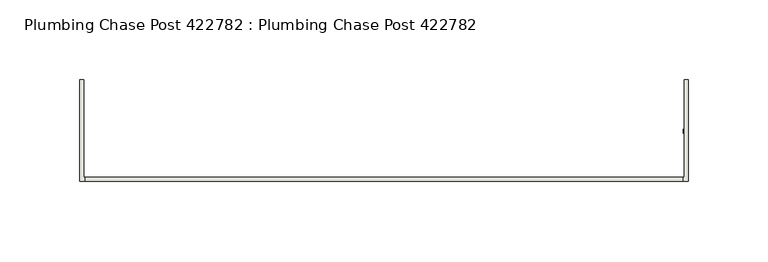
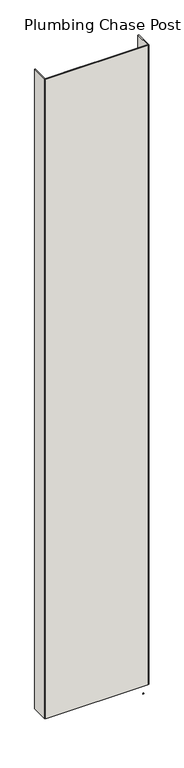
"""IFC4 building model written with IfcOpenShell, lengths in millimetres: wall geometry, Plumbing Chase Post 422782 : Plumbing Chase Post 422782."""

import ifcopenshell
import ifcopenshell.guid

model = None  # the IFC model being written
_history = None  # IfcOwnerHistory: only IFC2X3 demands one
_inside = {}  # id of a spatial element -> (the spatial element, [elements in it])
_under = {}  # id of a project, library or spatial element -> (it, [spatial elements below it])
_declared = {}  # id of a project -> (the project, [libraries it declares])
_typed = {}  # id of a type object -> (the type object, [elements of that type])
_made_of = {}  # id of a material, layer set ... -> (it, [elements and type objects made of it])


def new_model(schema):
    """Start an empty IFC model of exactly this schema.

    Asked for "IFC4X3", IfcOpenShell would pick the latest addendum, in which some entities
    have other attributes; the version numbers below select the first issue.
    IFC2X3 requires an IfcOwnerHistory on every rooted entity: one is made here for all.
    """
    global model, _history
    if schema == "IFC4X3":
        model = ifcopenshell.file(schema_version=(4, 3, 0, 0))
    else:
        model = ifcopenshell.file(schema=schema)
    _inside.clear()
    _under.clear()
    _declared.clear()
    _typed.clear()
    _made_of.clear()
    _history = None
    if model.schema == "IFC2X3":
        org = make("IfcOrganization", Name="unknown")
        user = make(
            "IfcPersonAndOrganization",
            ThePerson=make("IfcPerson", FamilyName="unknown"),
            TheOrganization=org,
        )
        app = make(
            "IfcApplication",
            ApplicationDeveloper=org,
            Version="unknown",
            ApplicationFullName="unknown",
            ApplicationIdentifier="unknown",
        )
        _history = make(
            "IfcOwnerHistory",
            OwningUser=user,
            OwningApplication=app,
            ChangeAction="ADDED",
            CreationDate=0,
        )
    return model


def make(cls, **values):
    """One entity of the class cls with the attributes given. An attribute that is None is left unset."""
    return model.create_entity(
        cls, **{name: value for name, value in values.items() if value is not None}
    )


def rooted(cls, **values):
    """An entity with a GlobalId (a new one), such as an element, a storey or a relation."""
    return make(cls, GlobalId=ifcopenshell.guid.new(), OwnerHistory=_history, **values)


def si_unit(unit_type, name, prefix=None):
    """IfcSIUnit, for example si_unit("LENGTHUNIT", "METRE", prefix="MILLI")."""
    return make("IfcSIUnit", UnitType=unit_type, Prefix=prefix, Name=name)


def assignment(units):
    """IfcUnitAssignment: the units of a project."""
    return None if units is None else make("IfcUnitAssignment", Units=units)


def point(xyz):
    """IfcCartesianPoint."""
    return None if xyz is None else make("IfcCartesianPoint", Coordinates=xyz)


def direction(xyz):
    """IfcDirection."""
    return None if xyz is None else make("IfcDirection", DirectionRatios=xyz)


def frame(location, z_axis=None, x_axis=None):
    """IfcAxis2Placement3D, a coordinate frame: its origin and axes. An axis left out is left unset."""
    return make(
        "IfcAxis2Placement3D",
        Location=point(location),
        Axis=direction(z_axis),
        RefDirection=direction(x_axis),
    )


def origin():
    """The frame at (0, 0, 0) with its axes left unset."""
    return frame((0.0, 0.0, 0.0))


def place(relative_to, where):
    """IfcLocalPlacement: puts the frame where relative to a parent placement (None: the world)."""
    return make(
        "IfcLocalPlacement", PlacementRelTo=relative_to, RelativePlacement=where
    )


def context(
    kind, dimensions, precision=None, world=None, true_north=None, identifier=None
):
    """IfcGeometricRepresentationContext, for example the 3D "Model" context."""
    return make(
        "IfcGeometricRepresentationContext",
        ContextIdentifier=identifier,
        ContextType=kind,
        CoordinateSpaceDimension=dimensions,
        Precision=precision,
        WorldCoordinateSystem=world,
        TrueNorth=true_north,
    )


def project(units=None, contexts=None):
    """IfcProject with its units and contexts."""
    return rooted(
        "IfcProject",
        Name="project",
        RepresentationContexts=contexts,
        UnitsInContext=assignment(units),
    )


def spatial(cls, under=None, at=None, **own):
    """A site, building, storey or space (cls), placed at a placement, below another one or the project."""
    s = rooted(cls, ObjectPlacement=at, **own)
    if under is not None:
        _under.setdefault(under.id(), (under, []))[1].append(s)
    return s


def polyline(points):
    """IfcPolyline through the points."""
    return make("IfcPolyline", Points=[point(p) for p in points])


def outline(outer, holes=None, kind="AREA"):
    """IfcArbitraryClosedProfileDef: a profile drawn as a closed curve; with holes, ...WithVoids."""
    if holes is None:
        return make("IfcArbitraryClosedProfileDef", ProfileType=kind, OuterCurve=outer)
    return make(
        "IfcArbitraryProfileDefWithVoids",
        ProfileType=kind,
        OuterCurve=outer,
        InnerCurves=holes,
    )


def extrude(swept, where, along, depth):
    """IfcExtrudedAreaSolid: the profile swept, set in the frame where, extruded along a direction by depth."""
    return make(
        "IfcExtrudedAreaSolid",
        SweptArea=swept,
        Position=where,
        ExtrudedDirection=direction(along),
        Depth=depth,
    )


def shape(context_of_items, identifier, shape_type, items):
    """IfcShapeRepresentation: the items that make up one representation, for example the "Body"."""
    return make(
        "IfcShapeRepresentation",
        ContextOfItems=context_of_items,
        RepresentationIdentifier=identifier,
        RepresentationType=shape_type,
        Items=items,
    )


def source(mapping_origin, context_of_items, identifier, shape_type, items):
    """IfcRepresentationMap: a shape defined once, which mapped items show again and again."""
    return make(
        "IfcRepresentationMap",
        MappingOrigin=mapping_origin,
        MappedRepresentation=shape(context_of_items, identifier, shape_type, items),
    )


def transform(
    local_origin,
    x_axis=None,
    y_axis=None,
    z_axis=None,
    scale=None,
    scale2=None,
    scale3=None,
    uniform=True,
):
    """IfcCartesianTransformationOperator3D, or its non-uniform kind. x_axis, y_axis, z_axis: its Axis1, 2, 3."""
    if uniform:
        return make(
            "IfcCartesianTransformationOperator3D",
            Axis1=direction(x_axis),
            Axis2=direction(y_axis),
            LocalOrigin=point(local_origin),
            Scale=scale,
            Axis3=direction(z_axis),
        )
    return make(
        "IfcCartesianTransformationOperator3DnonUniform",
        Axis1=direction(x_axis),
        Axis2=direction(y_axis),
        LocalOrigin=point(local_origin),
        Scale=scale,
        Axis3=direction(z_axis),
        Scale2=scale2,
        Scale3=scale3,
    )


def mapped(mapping_source, mapping_target):
    """IfcMappedItem: shows the shape of a source again, moved by a transform."""
    return make(
        "IfcMappedItem", MappingSource=mapping_source, MappingTarget=mapping_target
    )


def made_of(thing, what):
    """Note that an element or type object is made of a material, layer set ...; save() writes the relation."""
    if what is not None:
        _made_of.setdefault(what.id(), (what, []))[1].append(thing)
    return thing


def element(
    cls,
    number,
    at=None,
    inside=None,
    cuts=None,
    type_object=None,
    material=None,
    context=None,
    identifier="Body",
    shape_type=None,
    held_by="IfcProductDefinitionShape",
    body=None,
    shapes=None,
    **own,
):
    """One element of the class cls, such as IfcWall. Its Tag is "e" and its number.

    at: its placement. inside: the storey or other place that contains it. cuts: it is an
    opening in that element (IfcRelVoidsElement). A single representation is given by context,
    identifier, shape_type and body (its items); several are given by shapes. held_by: the class
    of the entity that holds the representations. save() writes the other relations.
    """
    e = rooted(cls, Tag="e%d" % number, ObjectPlacement=at, **own)
    if body is not None:
        shapes = [shape(context, identifier, shape_type, body)]
    if shapes is not None:
        e.Representation = make(held_by, Representations=shapes)
    if inside is not None:
        _inside.setdefault(inside.id(), (inside, []))[1].append(e)
    if cuts is not None:
        rooted(
            "IfcRelVoidsElement", RelatingBuildingElement=cuts, RelatedOpeningElement=e
        )
    if type_object is not None:
        _typed.setdefault(type_object.id(), (type_object, []))[1].append(e)
    return made_of(e, material)


def aggregate(whole, parts):
    """IfcRelAggregates: a whole, such as a stair, and the parts it consists of."""
    return rooted("IfcRelAggregates", RelatingObject=whole, RelatedObjects=parts)


def save(model, path):
    """Write the relations noted so far, then the file.

    IfcRelAggregates (storeys below a building ...), IfcRelContainedInSpatialStructure (elements
    in a storey), IfcRelDefinesByType, IfcRelAssociatesMaterial and IfcRelDeclares: one each for
    every whole, place, type object, material and project.
    """
    for whole, parts in _under.values():
        aggregate(whole, parts)
    for where, things in _inside.values():
        rooted(
            "IfcRelContainedInSpatialStructure",
            RelatedElements=things,
            RelatingStructure=where,
        )
    for kind, things in _typed.values():
        rooted("IfcRelDefinesByType", RelatedObjects=things, RelatingType=kind)
    for what, things in _made_of.values():
        rooted("IfcRelAssociatesMaterial", RelatedObjects=things, RelatingMaterial=what)
    for by, libraries in _declared.values():
        rooted("IfcRelDeclares", RelatingContext=by, RelatedDefinitions=libraries)
    model.write(path)


def plumbing_chase_post_422782_plumbing_chase_post_422782_a13c1dee(model_context):
    return source(origin(), model_context, "Body", "SweptSolid", [
        extrude(outline(polyline([(74773.768918, -43072.0636398), (74776.308918, -43072.0636398), (74776.308918, -43074.6036398), (74773.768918, -43074.6036398), (74773.768918, -43072.0636398)])), frame((0.0, 0.0, 4419.6), z_axis=(0.0, 0.0, 1.0), x_axis=(1.0, 0.0, 0.0)), (0.0, 0.0, 1.0), 2.54),
        extrude(outline(polyline([(74773.6126572, -43105.350289), (74397.9952728, -43105.350289), (74397.9952728, -43102.683797), (74773.6126572, -43102.683797), (74773.6126572, -43105.350289)])), frame((0.0, 0.0, 4474.8958), z_axis=(0.0, 0.0, 1.0), x_axis=(1.0, 0.0, 0.0)), (0.0, 0.0, 1.0), 2481.1482254),
        extrude(outline(polyline([(74773.6126572, -43105.350289), (74397.9952728, -43105.350289), (74397.9952728, -43102.683797), (74773.6126572, -43102.683797), (74773.6126572, -43105.350289)])), frame((0.0, 0.0, 4474.8958), z_axis=(0.0, 0.0, 1.0), x_axis=(1.0, 0.0, 0.0)), (0.0, 0.0, 1.0), 2481.1482254),
        extrude(outline(polyline([(74777.0667016, -43105.350289), (74643.7167016, -43105.350289), (74643.7167016, -43102.683797), (74774.4001842, -43102.683797), (74774.4001842, -43041.3418064), (74777.0667016, -43041.3418064), (74777.0667016, -43105.350289)])), frame((0.0, 0.0, 4474.8958), z_axis=(0.0, 0.0, 1.0), x_axis=(1.0, 0.0, 0.0)), (0.0, 0.0, 1.0), 2481.1482254),
        extrude(outline(polyline([(74777.0667016, -43105.350289), (74643.7167016, -43105.350289), (74643.7167016, -43102.683797), (74774.4001842, -43102.683797), (74774.4001842, -43041.3418064), (74777.0667016, -43041.3418064), (74777.0667016, -43105.350289)])), frame((0.0, 0.0, 4474.8958), z_axis=(0.0, 0.0, 1.0), x_axis=(1.0, 0.0, 0.0)), (0.0, 0.0, 1.0), 2481.1482254),
        extrude(outline(polyline([(74527.9160188, -43102.683797), (74527.9160188, -43105.350289), (74394.5660188, -43105.350289), (74394.5660188, -43041.3418064), (74397.2325108, -43041.3418064), (74397.2077204, -43102.683797), (74527.9160188, -43102.683797)])), frame((0.0, 0.0, 4474.8958), z_axis=(0.0, 0.0, 1.0), x_axis=(1.0, 0.0, 0.0)), (0.0, 0.0, 1.0), 2481.1482254),
        extrude(outline(polyline([(74527.9160188, -43102.683797), (74527.9160188, -43105.350289), (74394.5660188, -43105.350289), (74394.5660188, -43041.3418064), (74397.2325108, -43041.3418064), (74397.2077204, -43102.683797), (74527.9160188, -43102.683797)])), frame((0.0, 0.0, 4474.8958), z_axis=(0.0, 0.0, 1.0), x_axis=(1.0, 0.0, 0.0)), (0.0, 0.0, 1.0), 2481.1482254),
    ])


if __name__ == "__main__":
    model = new_model("IFC4")
    model_context = context("Model", 3, world=origin())
    ifc_project = project(units=[si_unit("LENGTHUNIT", "METRE", prefix="MILLI")], contexts=[model_context])
    site = spatial("IfcSite", under=ifc_project)
    building = spatial("IfcBuilding", under=site)
    placement = place(None, origin())
    plumbing_chase_post_422782_plumbing_chase_post_422782_shape = plumbing_chase_post_422782_plumbing_chase_post_422782_a13c1dee(model_context)
    element("IfcWall", 1, ObjectType="Plumbing Chase Post 422782 : Plumbing Chase Post 422782", at=placement, inside=building, context=model_context, shape_type="MappedRepresentation", body=[
        mapped(plumbing_chase_post_422782_plumbing_chase_post_422782_shape, transform((0.0, 0.0, 0.0), x_axis=(1.0, 0.0, 0.0), y_axis=(0.0, 1.0, 0.0), z_axis=(0.0, 0.0, 1.0))),
    ])
    save(model, "model.ifc")
